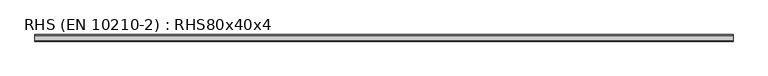
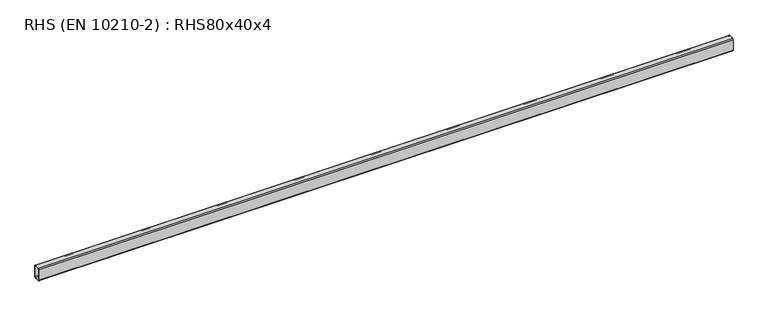
"""IFC4 building model written with IfcOpenShell, lengths in millimetres: beam geometry, RHS (EN 10210-2) : RHS80x40x4."""

from ifc_helpers import new_model, si_unit, point, frame, frame_2d, origin, place, context, project, spatial, polyline, circle_curve, trimmed, segment, composite_curve, outline, extrude, source, transform, mapped, element, save


def rhs_en_10210_2_rhs80x40x4_4a2f6ed7(model_context):
    return source(origin(), model_context, "Body", "SweptSolid", [
        extrude(outline(composite_curve([segment(polyline([(20.0, 34.0), (20.0, -34.0)]), True, "CONTINUOUS"), segment(trimmed(circle_curve(frame_2d((14.0, -34.0)), 6.0), [point((20.0, -34.0))], [point((14.0, -40.0))], False, "CARTESIAN"), True, "CONTINUOUS"), segment(polyline([(14.0, -40.0), (-14.0, -40.0)]), True, "CONTINUOUS"), segment(trimmed(circle_curve(frame_2d((-14.0, -34.0)), 6.0), [point((-14.0, -40.0))], [point((-20.0, -34.0))], False, "CARTESIAN"), True, "CONTINUOUS"), segment(polyline([(-20.0, -34.0), (-20.0, 34.0)]), True, "CONTINUOUS"), segment(trimmed(circle_curve(frame_2d((-14.0, 34.0)), 6.0), [point((-20.0, 34.0))], [point((-14.0, 40.0))], False, "CARTESIAN"), True, "CONTINUOUS"), segment(polyline([(-14.0, 40.0), (14.0, 40.0)]), True, "CONTINUOUS"), segment(trimmed(circle_curve(frame_2d((14.0, 34.0)), 6.0), [point((14.0, 40.0))], [point((20.0, 34.0))], False, "CARTESIAN"), True, "CONTINUOUS")], self_intersect=False), holes=[composite_curve([segment(trimmed(circle_curve(frame_2d((-12.0, 32.0)), 4.0), [point((-12.0, 36.0))], [point((-16.0, 32.0))], True, "CARTESIAN"), True, "CONTINUOUS"), segment(polyline([(-16.0, 32.0), (-16.0, -32.0)]), True, "CONTINUOUS"), segment(trimmed(circle_curve(frame_2d((-12.0, -32.0)), 4.0), [point((-16.0, -32.0))], [point((-12.0, -36.0))], True, "CARTESIAN"), True, "CONTINUOUS"), segment(polyline([(-12.0, -36.0), (12.0, -36.0)]), True, "CONTINUOUS"), segment(trimmed(circle_curve(frame_2d((12.0, -32.0)), 4.0), [point((12.0, -36.0))], [point((16.0, -32.0))], True, "CARTESIAN"), True, "CONTINUOUS"), segment(polyline([(16.0, -32.0), (16.0, 32.0)]), True, "CONTINUOUS"), segment(trimmed(circle_curve(frame_2d((12.0, 32.0)), 4.0), [point((16.0, 32.0))], [point((12.0, 36.0))], True, "CARTESIAN"), True, "CONTINUOUS"), segment(polyline([(12.0, 36.0), (-12.0, 36.0)]), True, "CONTINUOUS")], self_intersect=False)]), frame((-2116.45, 0.0, 0.0), z_axis=(1.0, 0.0, 0.0), x_axis=(0.0, 1.0, 0.0)), (0.0, 0.0, 1.0), 4229.7),
    ])


if __name__ == "__main__":
    model = new_model("IFC4")
    model_context = context("Model", 3, world=origin())
    ifc_project = project(units=[si_unit("LENGTHUNIT", "METRE", prefix="MILLI")], contexts=[model_context])
    site = spatial("IfcSite", under=ifc_project)
    building = spatial("IfcBuilding", under=site)
    placement = place(None, origin())
    rhs_en_10210_2_rhs80x40x4_shape = rhs_en_10210_2_rhs80x40x4_4a2f6ed7(model_context)
    element("IfcBeam", 1, ObjectType="RHS (EN 10210-2) : RHS80x40x4", at=placement, inside=building, context=model_context, shape_type="MappedRepresentation", body=[
        mapped(rhs_en_10210_2_rhs80x40x4_shape, transform((0.0, 0.0, 0.0), x_axis=(1.0, 0.0, 0.0), y_axis=(0.0, 1.0, 0.0), z_axis=(0.0, 0.0, 1.0))),
    ])
    save(model, "model.ifc")
